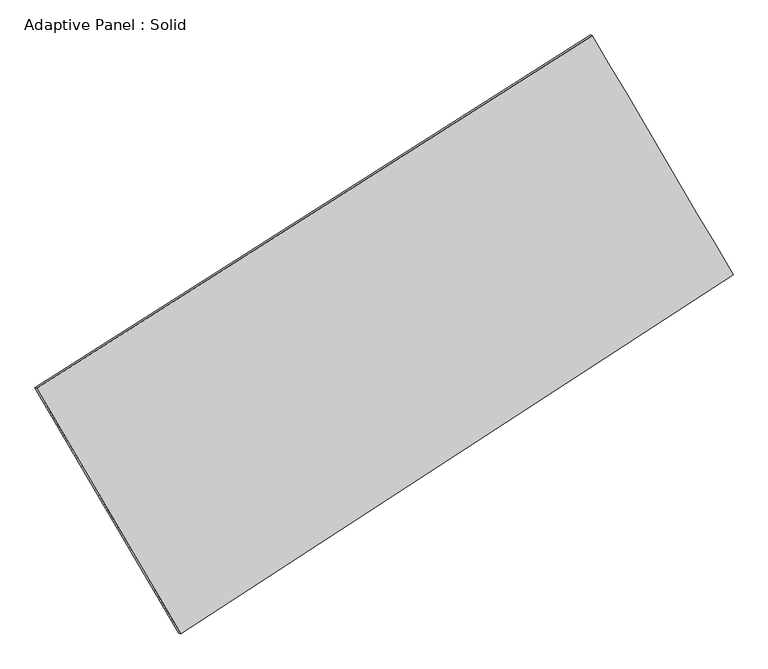
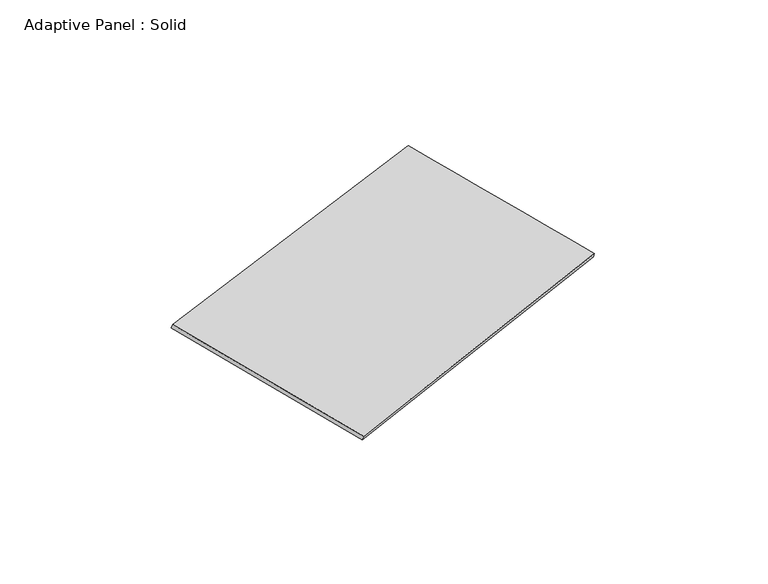
"""IFC4 building model written with IfcOpenShell, lengths in millimetres: plate geometry, Adaptive Panel : Solid."""

from ifc_helpers import new_model, si_unit, frame, origin, place, context, project, spatial, source, transform, mapped, element, save
from ifc_brep_helpers import plane_surface, spline_surface, advanced_brep


def adaptive_panel_solid_1d7548f2(model_context):
    return source(origin(), model_context, "Body", "AdvancedBrep", [
        advanced_brep(
        [(1163.9418624, 2511.9290705, 657.6315268), (-3715.5576782, -585.4835691, 1758.221895), (-3700.8913224, -591.8636626, 1805.594803), (1178.6082183, 2505.548977, 705.0044349), (-2451.0034866, -2739.1517626, 1069.6835192), (-2436.3371307, -2745.5318561, 1117.0564273), (2399.3287242, 412.4576884, -0.4144208), (2413.9950801, 406.0775949, 46.9584872)],
        [
            (0, 1),
            (1, 2),
            (2, 3),
            (3, 0),
            (1, 4),
            (4, 5),
            (5, 2),
            (4, 6),
            (6, 7),
            (7, 5),
            (6, 0),
            (3, 7),
        ],
        [
            plane_surface(frame((-1275.8079079, 963.2227507, 1207.9267109), z_axis=(-0.4749324869712644, 0.8406585323188318, 0.26025442332232807), x_axis=(-0.8293626891178966, -0.5264635142757494, 0.1870660258720407))),
            plane_surface(frame((-3083.2805824, -1662.3176659, 1413.9527071), z_axis=(-0.8215606029486338, -0.5404371735923408, 0.18156496656073196), x_axis=(0.48812229940316937, -0.8313233846926523, -0.26577819867046126))),
            plane_surface(frame((-25.8373812, -1163.3470371, 534.6345492), z_axis=(0.48440069980578937, -0.8345775297828784, -0.2623667448614065), x_axis=(0.8245398174489516, 0.5357627825101688, -0.18191297457358863))),
            plane_surface(frame((1781.6352933, 1462.1933794, 328.608553), z_axis=(0.8216011150310665, 0.5403682493991798, -0.18158679142761058), x_axis=(-0.4895939656698584, 0.832037762050668, 0.2607890168342554))),
            spline_surface(1, 1, [[(-3700.8913224, -591.8636626, 1805.594803), (1178.6082183, 2505.548977, 705.0044349)], [(-2436.3371307, -2745.5318561, 1117.0564273), (2413.9950801, 406.0775949, 46.9584872)]], [2, 2], [2, 2], [0.0, 1.0], [0.0, 1.0]),
            spline_surface(1, 1, [[(2399.3287242, 412.4576884, -0.4144208), (1163.9418624, 2511.9290705, 657.6315268)], [(-2451.0034866, -2739.1517626, 1069.6835192), (-3715.5576782, -585.4835691, 1758.221895)]], [2, 2], [2, 2], [0.0, 1.0], [0.0, 1.0]),
        ],
        [
            (0, [[1, 2, 3, 4]]),
            (1, [[5, 6, 7, -2]]),
            (2, [[8, 9, 10, -6]]),
            (3, [[11, -4, 12, -9]]),
            (4, [[-3, -7, -10, -12]]),
            (5, [[-11, -8, -5, -1]]),
        ],
    ),
    ])


if __name__ == "__main__":
    model = new_model("IFC4")
    model_context = context("Model", 3, world=origin())
    ifc_project = project(units=[si_unit("LENGTHUNIT", "METRE", prefix="MILLI")], contexts=[model_context])
    site = spatial("IfcSite", under=ifc_project)
    building = spatial("IfcBuilding", under=site)
    placement = place(None, origin())
    adaptive_panel_solid_shape = adaptive_panel_solid_1d7548f2(model_context)
    element("IfcPlate", 1, ObjectType="Adaptive Panel : Solid", at=placement, inside=building, context=model_context, shape_type="MappedRepresentation", body=[
        mapped(adaptive_panel_solid_shape, transform((0.0, 0.0, 0.0), x_axis=(1.0, 0.0, 0.0), y_axis=(0.0, 1.0, 0.0), z_axis=(0.0, 0.0, 1.0))),
    ])
    save(model, "model.ifc")
